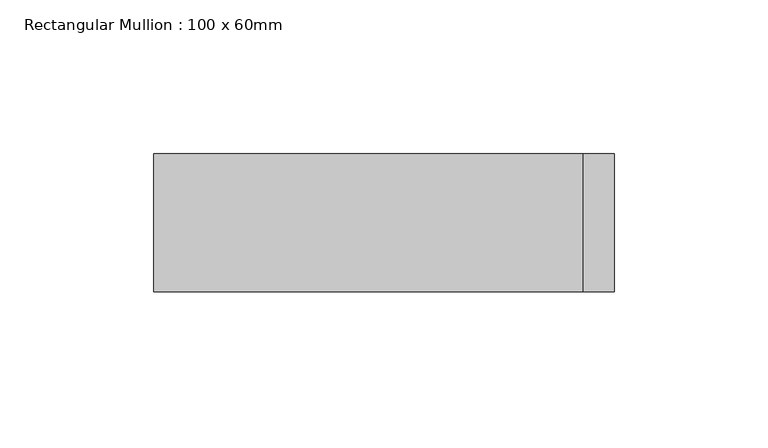
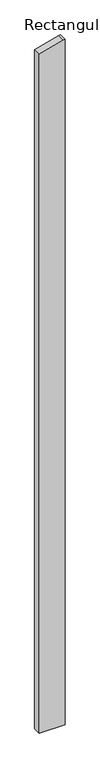
"""IFC4 building model written with IfcOpenShell, lengths in millimetres: member geometry, Rectangular Mullion : 100 x 60mm."""

from ifc_helpers import new_model, si_unit, frame, origin, place, context, project, spatial, polyline, outline, extrude, source, transform, mapped, element, save


def rectangular_mullion_100_x_60mm_d0c1b98d(model_context):
    return source(origin(), model_context, "Body", "SweptSolid", [
        extrude(outline(polyline([(-238.7228557, 75.0), (-241.4814566, 64.7047613), (-278.9152345, -75.0), (-4452.2242484, -75.0), (-4452.2242484, 75.0), (-238.7228557, 75.0)])), frame((0.0, -30.0, 0.0), z_axis=(0.0, 1.0, 0.0), x_axis=(0.0, 0.0, 1.0)), (0.0, 0.0, 1.0), 45.0),
    ])


if __name__ == "__main__":
    model = new_model("IFC4")
    model_context = context("Model", 3, world=origin())
    ifc_project = project(units=[si_unit("LENGTHUNIT", "METRE", prefix="MILLI")], contexts=[model_context])
    site = spatial("IfcSite", under=ifc_project)
    building = spatial("IfcBuilding", under=site)
    placement = place(None, origin())
    rectangular_mullion_100_x_60mm_shape = rectangular_mullion_100_x_60mm_d0c1b98d(model_context)
    element("IfcMember", 1, ObjectType="Rectangular Mullion : 100 x 60mm", at=placement, inside=building, context=model_context, shape_type="MappedRepresentation", body=[
        mapped(rectangular_mullion_100_x_60mm_shape, transform((0.0, 0.0, 0.0), x_axis=(1.0, 0.0, 0.0), y_axis=(0.0, 1.0, 0.0), z_axis=(0.0, 0.0, 1.0))),
    ])
    save(model, "model.ifc")
